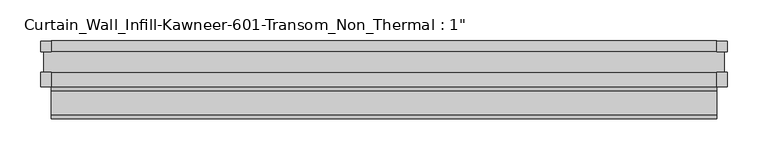
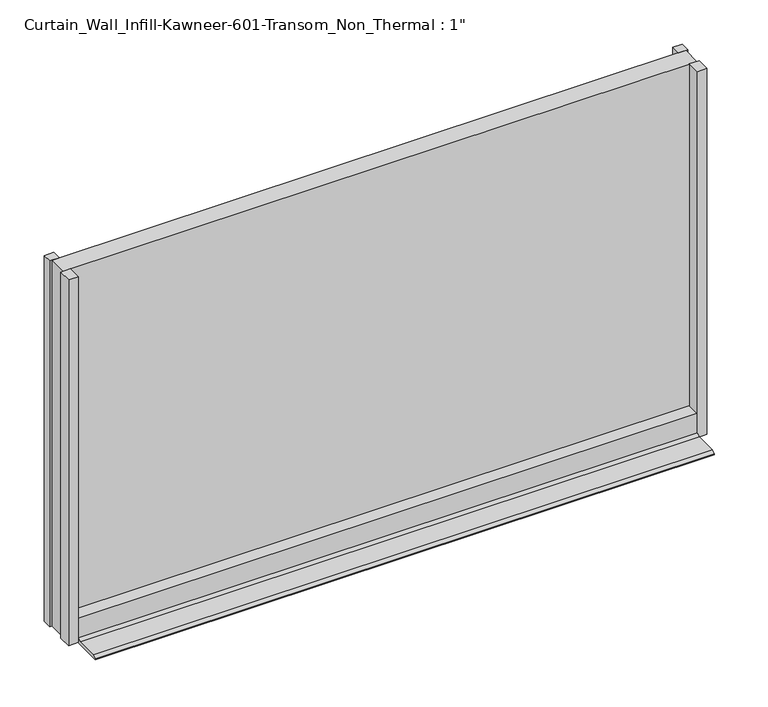
"""IFC4 building model written with IfcOpenShell, lengths in millimetres: plate geometry."""

from ifc_helpers import new_model, si_unit, frame, origin, origin_with_axes, place, context, project, spatial, polyline, outline, extrude, source, transform, mapped, element, save


def plate_260d59bd(model_context):
    return source(origin(), model_context, "Body", "SweptSolid", [
        extrude(outline(polyline([(406.4, 25.2723869), (419.1, 25.2723869), (419.1, 12.7), (406.4, 12.7), (406.4, 25.2723869)])), origin_with_axes(), (0.0, 0.0, 1.0), 508.0),
        extrude(outline(polyline([(419.1, -30.2901131), (406.4, -30.2901131), (406.4, -12.7), (419.1, -12.7), (419.1, -30.2901131)])), origin_with_axes(), (0.0, 0.0, 1.0), 508.0),
        extrude(outline(polyline([(-406.4, 25.2723869), (-406.4, 12.7), (-419.1, 12.7), (-419.1, 25.2723869), (-406.4, 25.2723869)])), origin_with_axes(), (0.0, 0.0, 1.0), 508.0),
        extrude(outline(polyline([(-419.1, -30.2901131), (-419.1, -12.7), (-406.4, -12.7), (-406.4, -30.2901131), (-419.1, -30.2901131)])), origin_with_axes(), (0.0, 0.0, 1.0), 508.0),
        extrude(outline(polyline([(12.7, 33.3375), (25.625216, 33.3375), (25.625216, 0.0), (-69.3036182, 0.0), (-69.3036182, 0.963453), (-64.5512788, 3.7072174), (-34.9431706, 3.7072174), (-30.2435382, 6.3122662), (-30.2435382, 33.3375), (-12.7, 33.3375), (-12.7, 23.8125), (12.7, 23.8125), (12.7, 33.3375)])), frame((-406.4, 0.0, 0.0), z_axis=(1.0, 0.0, 0.0), x_axis=(0.0, 1.0, 0.0)), (0.0, 0.0, 1.0), 812.8),
        extrude(outline(polyline([(-415.925, 12.7), (415.925, 12.7), (415.925, -12.7), (-415.925, -12.7), (-415.925, 12.7)])), origin_with_axes(), (0.0, 0.0, 1.0), 508.0),
    ])


if __name__ == "__main__":
    model = new_model("IFC4")
    model_context = context("Model", 3, world=origin())
    ifc_project = project(units=[si_unit("LENGTHUNIT", "METRE", prefix="MILLI")], contexts=[model_context])
    site = spatial("IfcSite", under=ifc_project)
    building = spatial("IfcBuilding", under=site)
    placement = place(None, origin())
    plate_shape = plate_260d59bd(model_context)
    element("IfcPlate", 1, ObjectType="Curtain_Wall_Infill-Kawneer-601-Transom_Non_Thermal : 1\"", at=placement, inside=building, context=model_context, shape_type="MappedRepresentation", body=[
        mapped(plate_shape, transform((0.0, 0.0, 0.0), x_axis=(1.0, 0.0, 0.0), y_axis=(0.0, 1.0, 0.0), z_axis=(0.0, 0.0, 1.0))),
    ])
    save(model, "model.ifc")
